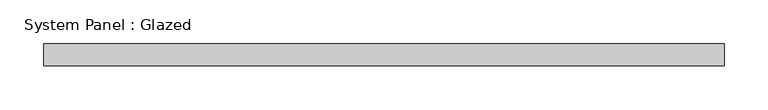
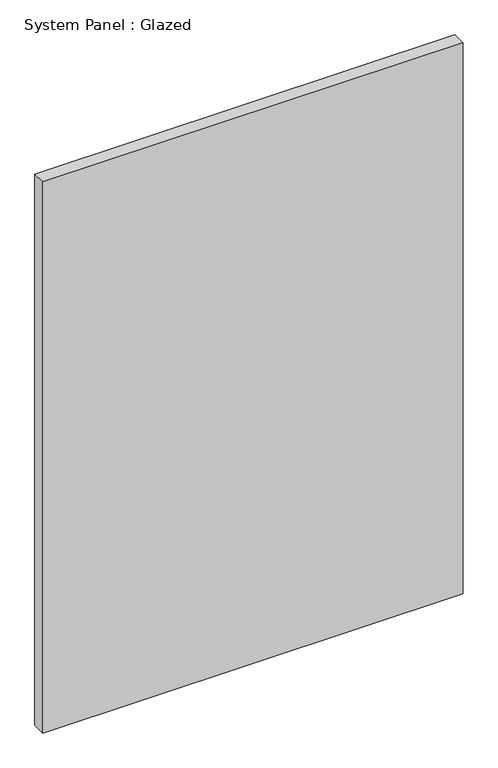
"""IFC4 building model written with IfcOpenShell, lengths in millimetres: plate geometry, System Panel : Glazed."""

from ifc_helpers import new_model, si_unit, origin, origin_with_axes, place, context, project, spatial, polyline, outline, extrude, source, transform, mapped, element, save


def system_panel_glazed_fb9a4bb0(model_context):
    return source(origin(), model_context, "Body", "SweptSolid", [
        extrude(outline(polyline([(389.6684567, -12.7), (-389.6684567, -12.7), (-389.6684567, 12.7), (389.6684567, 12.7), (389.6684567, -12.7)])), origin_with_axes(), (0.0, 0.0, 1.0), 1080.0),
    ])


if __name__ == "__main__":
    model = new_model("IFC4")
    model_context = context("Model", 3, world=origin())
    ifc_project = project(units=[si_unit("LENGTHUNIT", "METRE", prefix="MILLI")], contexts=[model_context])
    site = spatial("IfcSite", under=ifc_project)
    building = spatial("IfcBuilding", under=site)
    placement = place(None, origin())
    system_panel_glazed_shape = system_panel_glazed_fb9a4bb0(model_context)
    element("IfcPlate", 1, ObjectType="System Panel : Glazed", at=placement, inside=building, context=model_context, shape_type="MappedRepresentation", body=[
        mapped(system_panel_glazed_shape, transform((0.0, 0.0, 0.0), x_axis=(1.0, 0.0, 0.0), y_axis=(0.0, 1.0, 0.0), z_axis=(0.0, 0.0, 1.0))),
    ])
    save(model, "model.ifc")
